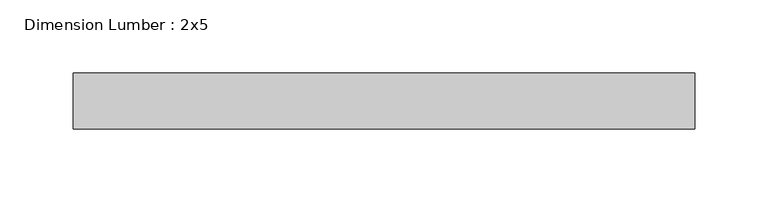
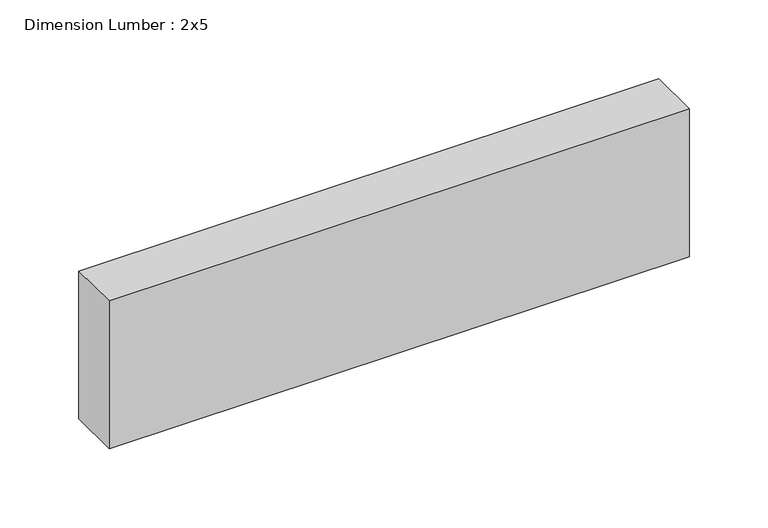
"""IFC4 building model written with IfcOpenShell, lengths in millimetres: beam geometry, Dimension Lumber : 2x5."""

from ifc_helpers import new_model, si_unit, frame, origin, place, context, project, spatial, polyline, outline, extrude, source, transform, mapped, element, save


def dimension_lumber_2x5_b06c9504(model_context):
    return source(origin(), model_context, "Body", "SweptSolid", [
        extrude(outline(polyline([(212.1409641, 19.05), (212.1409641, -19.05), (-212.1409641, -19.05), (-212.1409641, 19.05), (212.1409641, 19.05)])), frame((0.0, 0.0, -57.15), z_axis=(0.0, 0.0, 1.0), x_axis=(1.0, 0.0, 0.0)), (0.0, 0.0, 1.0), 114.3),
    ])


if __name__ == "__main__":
    model = new_model("IFC4")
    model_context = context("Model", 3, world=origin())
    ifc_project = project(units=[si_unit("LENGTHUNIT", "METRE", prefix="MILLI")], contexts=[model_context])
    site = spatial("IfcSite", under=ifc_project)
    building = spatial("IfcBuilding", under=site)
    placement = place(None, origin())
    dimension_lumber_2x5_shape = dimension_lumber_2x5_b06c9504(model_context)
    element("IfcBeam", 1, ObjectType="Dimension Lumber : 2x5", at=placement, inside=building, context=model_context, shape_type="MappedRepresentation", body=[
        mapped(dimension_lumber_2x5_shape, transform((0.0, 0.0, 0.0), x_axis=(1.0, 0.0, 0.0), y_axis=(0.0, 1.0, 0.0), z_axis=(0.0, 0.0, 1.0))),
    ])
    save(model, "model.ifc")
